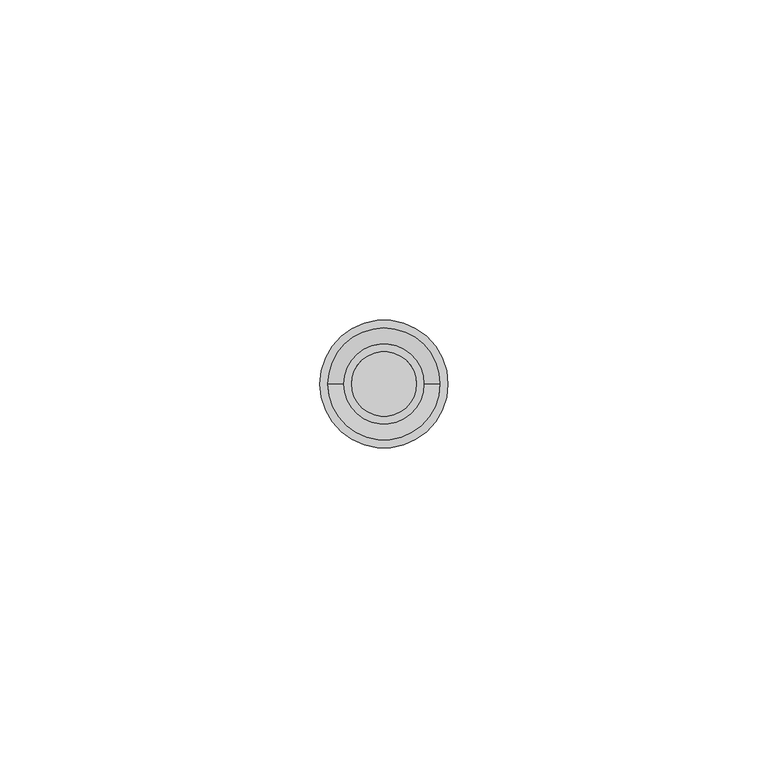
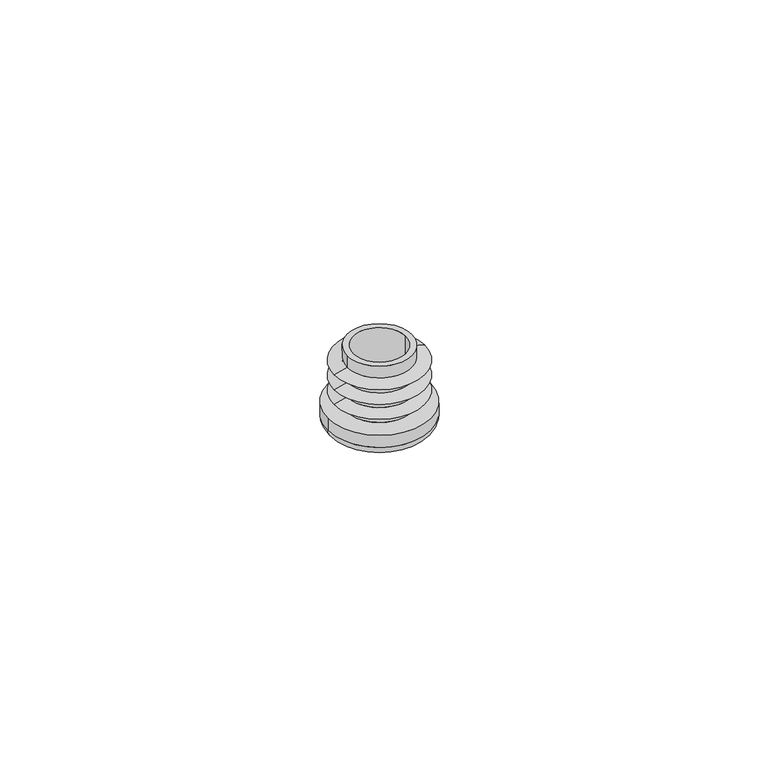
"""IFC4 building model written with IfcOpenShell, lengths in millimetres: proxy geometry."""

from ifc_helpers import new_model, si_unit, point, frame, origin, origin_with_axes, place, context, project, spatial, polyline, circle_curve, ellipse_curve, trimmed, source, transform, mapped, element, save
from ifc_brep_helpers import plane_surface, cylinder_surface, revolved_surface, advanced_brep


def generic_models_e6a49def(model_context):
    return source(origin(), model_context, "Body", "AdvancedBrep", [
        advanced_brep(
        [(-10.0, 0.0, 2.0), (-8.0, 0.0, 0.0), (8.0, 0.0, 0.0), (10.0, 0.0, 2.0), (10.0, 0.0, 4.5), (-10.0, 0.0, 4.5), (6.25, 0.0, 6.8725953), (6.25, 0.0, 4.5), (-6.25, 0.0, 4.5), (-6.25, 0.0, 6.8725953), (6.25, 0.0, 7.5424682), (8.75, 0.0, 6.8725953), (-8.75, 0.0, 6.8725953), (-6.25, 0.0, 7.5424682), (6.25, 0.0, 9.9150635), (-6.25, 0.0, 9.9150635), (6.25, 0.0, 10.5849365), (8.75, 0.0, 9.9150635), (-8.75, 0.0, 9.9150635), (-6.25, 0.0, 10.5849365), (6.25, 0.0, 12.9575318), (-6.25, 0.0, 12.9575318), (6.25, 0.0, 13.6274047), (8.75, 0.0, 12.9575318), (-8.75, 0.0, 12.9575318), (-6.25, 0.0, 13.6274047), (6.25, 0.0, 16.0), (-6.25, 0.0, 16.0), (5.05, 0.0, 16.0), (5.05, 0.0, 2.0), (-5.05, 0.0, 2.0), (-5.05, 0.0, 16.0)],
        [
            (0, 1, circle_curve(frame((-8.0, 0.0, 2.0), z_axis=(0.0, -1.0, 0.0), x_axis=(-1.0, 0.0, 0.0)), 2.0)),
            (1, 2, circle_curve(origin_with_axes(), 8.0)),
            (2, 3, circle_curve(frame((8.0, 0.0, 2.0), z_axis=(0.0, -1.0, 0.0), x_axis=(1.0, 0.0, 0.0)), 2.0)),
            (3, 0, circle_curve(frame((0.0, 0.0, 2.0), z_axis=(0.0, 0.0, -1.0), x_axis=(1.0, 0.0, 0.0)), 10.0)),
            (4, 3),
            (3, 0, circle_curve(frame((0.0, 0.0, 2.0), z_axis=(0.0, 0.0, 1.0), x_axis=(1.0, 0.0, 0.0)), 10.0)),
            (0, 5),
            (5, 4, circle_curve(frame((0.0, 0.0, 4.5), z_axis=(0.0, 0.0, -1.0), x_axis=(1.0, 0.0, 0.0)), 10.0)),
            (6, 7),
            (7, 8, circle_curve(frame((0.0, 0.0, 4.5), z_axis=(0.0, 0.0, 1.0), x_axis=(1.0, 0.0, 0.0)), 6.25)),
            (8, 9),
            (9, 6, circle_curve(frame((0.0, 0.0, 6.8725953), z_axis=(0.0, 0.0, -1.0), x_axis=(1.0, 0.0, 0.0)), 6.25)),
            (10, 11),
            (11, 12, circle_curve(frame((0.0, 0.0, 6.8725953), z_axis=(0.0, 0.0, 1.0), x_axis=(-1.0, 0.0, 0.0)), 8.75)),
            (12, 13),
            (13, 10, circle_curve(frame((0.0, 0.0, 7.5424682), z_axis=(0.0, 0.0, -1.0), x_axis=(-1.0, 0.0, 0.0)), 6.25)),
            (14, 10),
            (13, 15),
            (15, 14, circle_curve(frame((0.0, 0.0, 9.9150635), z_axis=(0.0, 0.0, -1.0), x_axis=(1.0, 0.0, 0.0)), 6.25)),
            (16, 17),
            (17, 18, circle_curve(frame((0.0, 0.0, 9.9150635), z_axis=(0.0, 0.0, 1.0), x_axis=(-1.0, 0.0, 0.0)), 8.75)),
            (18, 19),
            (19, 16, circle_curve(frame((0.0, 0.0, 10.5849365), z_axis=(0.0, 0.0, -1.0), x_axis=(-1.0, 0.0, 0.0)), 6.25)),
            (20, 16),
            (19, 21),
            (21, 20, circle_curve(frame((0.0, 0.0, 12.9575318), z_axis=(0.0, 0.0, -1.0), x_axis=(1.0, 0.0, 0.0)), 6.25)),
            (22, 23),
            (23, 24, circle_curve(frame((0.0, 0.0, 12.9575318), z_axis=(0.0, 0.0, 1.0), x_axis=(-1.0, 0.0, 0.0)), 8.75)),
            (24, 25),
            (25, 22, circle_curve(frame((0.0, 0.0, 13.6274047), z_axis=(0.0, 0.0, -1.0), x_axis=(-1.0, 0.0, 0.0)), 6.25)),
            (26, 22),
            (25, 27),
            (27, 26, circle_curve(frame((0.0, 0.0, 16.0), z_axis=(0.0, 0.0, -1.0), x_axis=(1.0, 0.0, 0.0)), 6.25)),
            (28, 29),
            (29, 30, circle_curve(frame((0.0, 0.0, 2.0), z_axis=(0.0, 0.0, -1.0), x_axis=(1.0, 0.0, 0.0)), 5.05)),
            (30, 31),
            (31, 28, circle_curve(frame((0.0, 0.0, 16.0), z_axis=(0.0, 0.0, 1.0), x_axis=(1.0, 0.0, 0.0)), 5.05)),
            (29, 30, circle_curve(frame((0.0, 0.0, 2.0), z_axis=(0.0, 0.0, 1.0), x_axis=(1.0, 0.0, 0.0)), 5.05)),
            (28, 31, circle_curve(frame((0.0, 0.0, 16.0), z_axis=(0.0, 0.0, 1.0), x_axis=(1.0, 0.0, 0.0)), 5.05)),
            (27, 26, circle_curve(frame((0.0, 0.0, 16.0), z_axis=(0.0, 0.0, 1.0), x_axis=(1.0, 0.0, 0.0)), 6.25)),
            (25, 22, circle_curve(frame((0.0, 0.0, 13.6274047), z_axis=(0.0, 0.0, 1.0), x_axis=(1.0, 0.0, 0.0)), 6.25)),
            (24, 23, circle_curve(frame((0.0, 0.0, 12.9575318), z_axis=(0.0, 0.0, 1.0), x_axis=(1.0, 0.0, 0.0)), 8.75)),
            (21, 20, circle_curve(frame((0.0, 0.0, 12.9575318), z_axis=(0.0, 0.0, 1.0), x_axis=(1.0, 0.0, 0.0)), 6.25)),
            (19, 16, circle_curve(frame((0.0, 0.0, 10.5849365), z_axis=(0.0, 0.0, 1.0), x_axis=(1.0, 0.0, 0.0)), 6.25)),
            (18, 17, circle_curve(frame((0.0, 0.0, 9.9150635), z_axis=(0.0, 0.0, 1.0), x_axis=(1.0, 0.0, 0.0)), 8.75)),
            (15, 14, circle_curve(frame((0.0, 0.0, 9.9150635), z_axis=(0.0, 0.0, 1.0), x_axis=(1.0, 0.0, 0.0)), 6.25)),
            (13, 10, circle_curve(frame((0.0, 0.0, 7.5424682), z_axis=(0.0, 0.0, 1.0), x_axis=(1.0, 0.0, 0.0)), 6.25)),
            (12, 11, circle_curve(frame((0.0, 0.0, 6.8725953), z_axis=(0.0, 0.0, 1.0), x_axis=(1.0, 0.0, 0.0)), 8.75)),
            (9, 6, circle_curve(frame((0.0, 0.0, 6.8725953), z_axis=(0.0, 0.0, 1.0), x_axis=(1.0, 0.0, 0.0)), 6.25)),
            (8, 7, circle_curve(frame((0.0, 0.0, 4.5), z_axis=(0.0, 0.0, 1.0), x_axis=(1.0, 0.0, 0.0)), 6.25)),
            (5, 4, circle_curve(frame((0.0, 0.0, 4.5), z_axis=(0.0, 0.0, 1.0), x_axis=(1.0, 0.0, 0.0)), 10.0)),
            (2, 1, circle_curve(frame((0.0, 0.0, 0.0), z_axis=(0.0, 0.0, 1.0), x_axis=(-1.0, 0.0, 0.0)), 8.0)),
        ],
        [
            revolved_surface(trimmed(ellipse_curve(frame((8.0, 0.0, 2.0), z_axis=(0.0, 1.0, 0.0), x_axis=(1.0, 0.0, 0.0)), 2.0, 2.0), [point((10.0, 0.0, 2.0))], [point((8.0, 0.0, 0.0))], True, "CARTESIAN"), (0.0, 0.0, 2.0), (0.0, 0.0, -1.0)),
            cylinder_surface(frame((0.0, 0.0, 3.25), z_axis=(0.0, 0.0, -1.0), x_axis=(1.0, 0.0, 0.0)), 10.0),
            cylinder_surface(frame((0.0, 0.0, 5.6862976), z_axis=(0.0, 0.0, -1.0), x_axis=(1.0, 0.0, 0.0)), 6.25),
            revolved_surface(polyline([(6.250000266575062, 0.0, 7.5424682), (8.75, 0.0, 6.8725953)]), (0.0, 0.0, 9.2171507), (0.0, 0.0, -1.0)),
            cylinder_surface(frame((0.0, 0.0, 8.7287659), z_axis=(0.0, 0.0, -1.0), x_axis=(1.0, 0.0, 0.0)), 6.25),
            revolved_surface(polyline([(6.249999893369979, 0.0, 10.5849365), (8.75, 0.0, 9.9150635)]), (0.0, 0.0, 12.2596189), (0.0, 0.0, -1.0)),
            cylinder_surface(frame((0.0, 0.0, 11.7712341), z_axis=(0.0, 0.0, -1.0), x_axis=(1.0, 0.0, 0.0)), 6.25),
            revolved_surface(polyline([(6.250000266575063, 0.0, 13.6274047), (8.75, 0.0, 12.9575318)]), (0.0, 0.0, 15.3020872), (0.0, 0.0, -1.0)),
            cylinder_surface(frame((0.0, 0.0, 14.8137024), z_axis=(0.0, 0.0, -1.0), x_axis=(1.0, 0.0, 0.0)), 6.25),
            revolved_surface(polyline([(5.05, 0.0, 2.0), (5.05, 0.0, 16.0)]), (0.0, 0.0, 9.0), (0.0, 0.0, -1.0)),
            plane_surface(frame((2.525, 0.0, 2.0), z_axis=(0.0, 0.0, 1.0), x_axis=(1.0, 0.0, 0.0))),
            plane_surface(frame((5.65, 0.0, 16.0), z_axis=(0.0, 0.0, 1.0), x_axis=(1.0, 0.0, 0.0))),
            plane_surface(frame((7.5, 0.0, 12.9575318), z_axis=(0.0, 0.0, -1.0), x_axis=(-1.0, 0.0, 0.0))),
            plane_surface(frame((7.5, 0.0, 9.9150635), z_axis=(0.0, 0.0, -1.0), x_axis=(-1.0, 0.0, 0.0))),
            plane_surface(frame((7.5, 0.0, 6.8725953), z_axis=(0.0, 0.0, -1.0), x_axis=(-1.0, 0.0, 0.0))),
            plane_surface(frame((8.125, 0.0, 4.5), z_axis=(0.0, 0.0, 1.0), x_axis=(1.0, 0.0, 0.0))),
            revolved_surface(trimmed(ellipse_curve(frame((-8.0, 0.0, 2.0), z_axis=(0.0, -1.0, 0.0), x_axis=(-1.0, 0.0, 0.0)), 2.0, 2.0), [point((-10.0, 0.0, 2.0))], [point((-8.0, 0.0, 0.0))], True, "CARTESIAN"), (0.0, 0.0, 2.0), (0.0, 0.0, -1.0)),
            plane_surface(frame((4.0, 0.0, 0.0), z_axis=(0.0, 0.0, -1.0), x_axis=(-1.0, 0.0, 0.0))),
        ],
        [
            (0, [[1, 2, 3, 4]]),
            (1, [[5, 6, 7, 8]]),
            (2, [[9, 10, 11, 12]]),
            (3, [[13, 14, 15, 16]]),
            (4, [[17, -16, 18, 19]]),
            (5, [[20, 21, 22, 23]]),
            (6, [[24, -23, 25, 26]]),
            (7, [[27, 28, 29, 30]]),
            (8, [[31, -30, 32, 33]]),
            (9, [[34, 35, 36, 37]]),
            (10, [[-35, 38]]),
            (9, [[-34, 39, -36, -38]]),
            (11, [[40, -33], [-37, -39]]),
            (8, [[-31, -40, -32, 41]]),
            (7, [[-27, -41, -29, 42]]),
            (12, [[-42, -28], [43, -26]]),
            (6, [[-24, -43, -25, 44]]),
            (5, [[-20, -44, -22, 45]]),
            (13, [[-45, -21], [46, -19]]),
            (4, [[-17, -46, -18, 47]]),
            (3, [[-13, -47, -15, 48]]),
            (14, [[-48, -14], [49, -12]]),
            (2, [[-9, -49, -11, 50]]),
            (15, [[51, -8], [-50, -10]]),
            (1, [[-5, -51, -7, -4]]),
            (16, [[-1, -6, -3, 52]]),
            (17, [[-2, -52]]),
        ],
    ),
    ])


if __name__ == "__main__":
    model = new_model("IFC4")
    model_context = context("Model", 3, world=origin())
    ifc_project = project(units=[si_unit("LENGTHUNIT", "METRE", prefix="MILLI")], contexts=[model_context])
    site = spatial("IfcSite", under=ifc_project)
    building = spatial("IfcBuilding", under=site)
    placement = place(None, origin())
    generic_models_shape = generic_models_e6a49def(model_context)
    element("IfcBuildingElementProxy", 1, Name="Generic Models", at=placement, inside=building, context=model_context, shape_type="MappedRepresentation", body=[
        mapped(generic_models_shape, transform((0.0, 0.0, 0.0), x_axis=(1.0, 0.0, 0.0), y_axis=(0.0, 1.0, 0.0), z_axis=(0.0, 0.0, 1.0))),
    ])
    save(model, "model.ifc")
